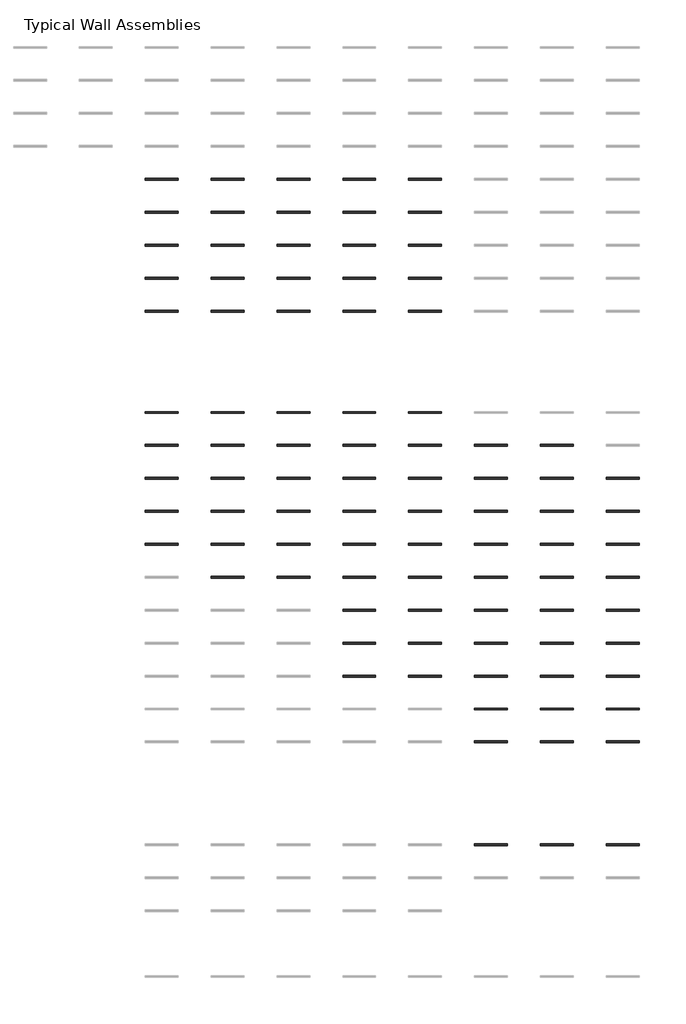
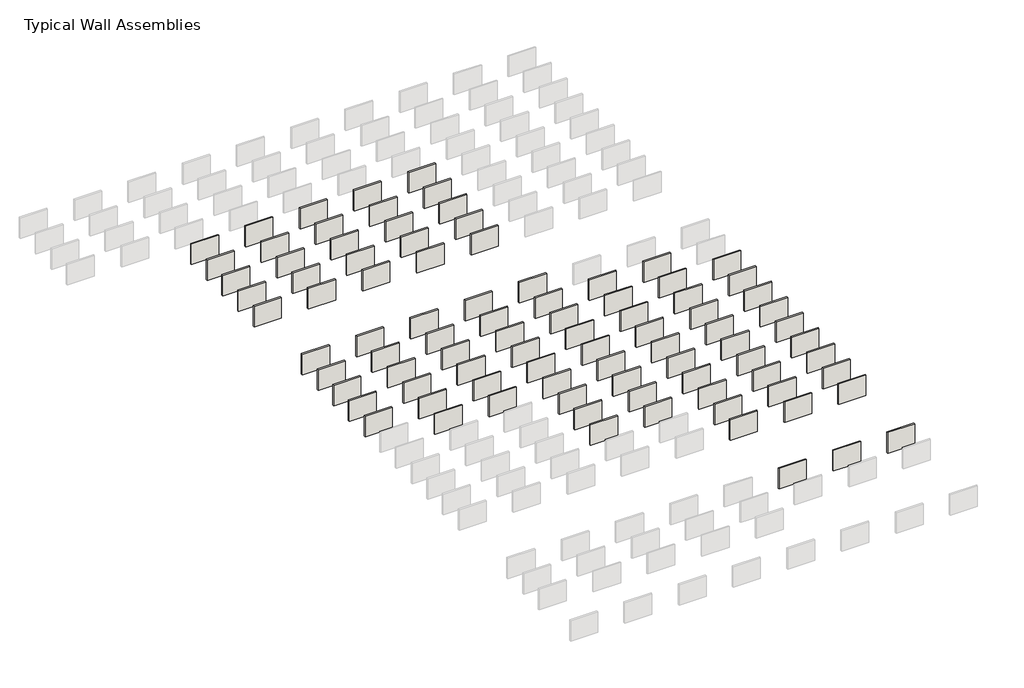
# One storey, part 7 of 8: 92 walls.
"""IFC4 building model written with IfcOpenShell, lengths in millimetres."""

from ifc_helpers import new_model, si_unit, frame, origin, place, context, project, spatial, polyline, outline, extrude, element, save

model = new_model("IFC4")

# Units and contexts
model_context = context("Model", 3, world=origin())
ifc_project = project(units=[si_unit("LENGTHUNIT", "METRE", prefix="MILLI")], contexts=[model_context])

# Site, building, storey
site = spatial("IfcSite", under=ifc_project)
building = spatial("IfcBuilding", under=site)
storey = spatial("IfcBuildingStorey", under=building, Name="Typical Wall Assemblies", Elevation=6096.0)

# Walls
placement = place(None, origin())
element("IfcWall", 1, at=placement, inside=storey, context=model_context, shape_type="SweptSolid", body=[
    extrude(outline(polyline([(3356.874931, -1164.3091546), (308.874931, -1164.3091546), (308.874931, -986.5218505), (3356.874931, -986.5218505), (3356.874931, -1164.3091546)])), frame((0.0, 0.0, 6096.0), z_axis=(0.0, 0.0, 1.0), x_axis=(1.0, 0.0, 0.0)), (0.0, 0.0, 1.0), 2438.4),
])
element("IfcWall", 2, at=placement, inside=storey, context=model_context, shape_type="SweptSolid", body=[
    extrude(outline(polyline([(9452.874931, -1164.3091546), (6404.874931, -1164.3091546), (6404.874931, -986.5218505), (9452.874931, -986.5218505), (9452.874931, -1164.3091546)])), frame((0.0, 0.0, 6096.0), z_axis=(0.0, 0.0, 1.0), x_axis=(1.0, 0.0, 0.0)), (0.0, 0.0, 1.0), 2438.4),
])
element("IfcWall", 3, at=placement, inside=storey, context=model_context, shape_type="SweptSolid", body=[
    extrude(outline(polyline([(15548.874931, -1164.3091546), (12500.874931, -1164.3091546), (12500.874931, -986.5218505), (15548.874931, -986.5218505), (15548.874931, -1164.3091546)])), frame((0.0, 0.0, 6096.0), z_axis=(0.0, 0.0, 1.0), x_axis=(1.0, 0.0, 0.0)), (0.0, 0.0, 1.0), 2438.4),
])
element("IfcWall", 4, at=placement, inside=storey, context=model_context, shape_type="SweptSolid", body=[
    extrude(outline(polyline([(21644.874931, -1164.3091546), (18596.874931, -1164.3091546), (18596.874931, -986.5218505), (21644.874931, -986.5218505), (21644.874931, -1164.3091546)])), frame((0.0, 0.0, 6096.0), z_axis=(0.0, 0.0, 1.0), x_axis=(1.0, 0.0, 0.0)), (0.0, 0.0, 1.0), 2438.4),
])
element("IfcWall", 5, at=placement, inside=storey, context=model_context, shape_type="SweptSolid", body=[
    extrude(outline(polyline([(27740.874931, -1164.3091546), (24692.874931, -1164.3091546), (24692.874931, -986.5218505), (27740.874931, -986.5218505), (27740.874931, -1164.3091546)])), frame((0.0, 0.0, 6096.0), z_axis=(0.0, 0.0, 1.0), x_axis=(1.0, 0.0, 0.0)), (0.0, 0.0, 1.0), 2438.4),
])
element("IfcWall", 6, at=placement, inside=storey, context=model_context, shape_type="SweptSolid", body=[
    extrude(outline(polyline([(3356.874931, -4212.3091546), (308.874931, -4212.3091546), (308.874931, -4034.5218505), (3356.874931, -4034.5218505), (3356.874931, -4212.3091546)])), frame((0.0, 0.0, 6096.0), z_axis=(0.0, 0.0, 1.0), x_axis=(1.0, 0.0, 0.0)), (0.0, 0.0, 1.0), 2438.4),
])
element("IfcWall", 7, at=placement, inside=storey, context=model_context, shape_type="SweptSolid", body=[
    extrude(outline(polyline([(9452.874931, -4212.3091546), (6404.874931, -4212.3091546), (6404.874931, -4034.5218505), (9452.874931, -4034.5218505), (9452.874931, -4212.3091546)])), frame((0.0, 0.0, 6096.0), z_axis=(0.0, 0.0, 1.0), x_axis=(1.0, 0.0, 0.0)), (0.0, 0.0, 1.0), 2438.4),
])
element("IfcWall", 8, at=placement, inside=storey, context=model_context, shape_type="SweptSolid", body=[
    extrude(outline(polyline([(15548.874931, -4212.3091546), (12500.874931, -4212.3091546), (12500.874931, -4034.5218505), (15548.874931, -4034.5218505), (15548.874931, -4212.3091546)])), frame((0.0, 0.0, 6096.0), z_axis=(0.0, 0.0, 1.0), x_axis=(1.0, 0.0, 0.0)), (0.0, 0.0, 1.0), 2438.4),
])
element("IfcWall", 9, at=placement, inside=storey, context=model_context, shape_type="SweptSolid", body=[
    extrude(outline(polyline([(21644.874931, -4212.3091546), (18596.874931, -4212.3091546), (18596.874931, -4034.5218505), (21644.874931, -4034.5218505), (21644.874931, -4212.3091546)])), frame((0.0, 0.0, 6096.0), z_axis=(0.0, 0.0, 1.0), x_axis=(1.0, 0.0, 0.0)), (0.0, 0.0, 1.0), 2438.4),
])
element("IfcWall", 10, at=placement, inside=storey, context=model_context, shape_type="SweptSolid", body=[
    extrude(outline(polyline([(27740.874931, -4212.3091546), (24692.874931, -4212.3091546), (24692.874931, -4034.5218505), (27740.874931, -4034.5218505), (27740.874931, -4212.3091546)])), frame((0.0, 0.0, 6096.0), z_axis=(0.0, 0.0, 1.0), x_axis=(1.0, 0.0, 0.0)), (0.0, 0.0, 1.0), 2438.4),
])
element("IfcWall", 11, at=placement, inside=storey, context=model_context, shape_type="SweptSolid", body=[
    extrude(outline(polyline([(3356.874931, -7260.3091546), (308.874931, -7260.3091546), (308.874931, -7082.5218505), (3356.874931, -7082.5218505), (3356.874931, -7260.3091546)])), frame((0.0, 0.0, 6096.0), z_axis=(0.0, 0.0, 1.0), x_axis=(1.0, 0.0, 0.0)), (0.0, 0.0, 1.0), 2438.4),
])
element("IfcWall", 12, at=placement, inside=storey, context=model_context, shape_type="SweptSolid", body=[
    extrude(outline(polyline([(9452.874931, -7260.3091546), (6404.874931, -7260.3091546), (6404.874931, -7082.5218505), (9452.874931, -7082.5218505), (9452.874931, -7260.3091546)])), frame((0.0, 0.0, 6096.0), z_axis=(0.0, 0.0, 1.0), x_axis=(1.0, 0.0, 0.0)), (0.0, 0.0, 1.0), 2438.4),
])
element("IfcWall", 13, at=placement, inside=storey, context=model_context, shape_type="SweptSolid", body=[
    extrude(outline(polyline([(15548.874931, -7260.3091546), (12500.874931, -7260.3091546), (12500.874931, -7082.5218505), (15548.874931, -7082.5218505), (15548.874931, -7260.3091546)])), frame((0.0, 0.0, 6096.0), z_axis=(0.0, 0.0, 1.0), x_axis=(1.0, 0.0, 0.0)), (0.0, 0.0, 1.0), 2438.4),
])
element("IfcWall", 14, at=placement, inside=storey, context=model_context, shape_type="SweptSolid", body=[
    extrude(outline(polyline([(21644.874931, -7260.3091546), (18596.874931, -7260.3091546), (18596.874931, -7082.5218505), (21644.874931, -7082.5218505), (21644.874931, -7260.3091546)])), frame((0.0, 0.0, 6096.0), z_axis=(0.0, 0.0, 1.0), x_axis=(1.0, 0.0, 0.0)), (0.0, 0.0, 1.0), 2438.4),
])
element("IfcWall", 15, at=placement, inside=storey, context=model_context, shape_type="SweptSolid", body=[
    extrude(outline(polyline([(27740.874931, -7260.3091546), (24692.874931, -7260.3091546), (24692.874931, -7082.5218505), (27740.874931, -7082.5218505), (27740.874931, -7260.3091546)])), frame((0.0, 0.0, 6096.0), z_axis=(0.0, 0.0, 1.0), x_axis=(1.0, 0.0, 0.0)), (0.0, 0.0, 1.0), 2438.4),
])
element("IfcWall", 16, at=placement, inside=storey, context=model_context, shape_type="SweptSolid", body=[
    extrude(outline(polyline([(3356.874931, -10308.3091546), (308.874931, -10308.3091546), (308.874931, -10130.5218505), (3356.874931, -10130.5218505), (3356.874931, -10308.3091546)])), frame((0.0, 0.0, 6096.0), z_axis=(0.0, 0.0, 1.0), x_axis=(1.0, 0.0, 0.0)), (0.0, 0.0, 1.0), 2438.4),
])
element("IfcWall", 17, at=placement, inside=storey, context=model_context, shape_type="SweptSolid", body=[
    extrude(outline(polyline([(9452.874931, -10308.3091546), (6404.874931, -10308.3091546), (6404.874931, -10130.5218505), (9452.874931, -10130.5218505), (9452.874931, -10308.3091546)])), frame((0.0, 0.0, 6096.0), z_axis=(0.0, 0.0, 1.0), x_axis=(1.0, 0.0, 0.0)), (0.0, 0.0, 1.0), 2438.4),
])
element("IfcWall", 18, at=placement, inside=storey, context=model_context, shape_type="SweptSolid", body=[
    extrude(outline(polyline([(15548.874931, -10308.3091546), (12500.874931, -10308.3091546), (12500.874931, -10130.5218505), (15548.874931, -10130.5218505), (15548.874931, -10308.3091546)])), frame((0.0, 0.0, 6096.0), z_axis=(0.0, 0.0, 1.0), x_axis=(1.0, 0.0, 0.0)), (0.0, 0.0, 1.0), 2438.4),
])
element("IfcWall", 19, at=placement, inside=storey, context=model_context, shape_type="SweptSolid", body=[
    extrude(outline(polyline([(21644.874931, -10308.3091546), (18596.874931, -10308.3091546), (18596.874931, -10130.5218505), (21644.874931, -10130.5218505), (21644.874931, -10308.3091546)])), frame((0.0, 0.0, 6096.0), z_axis=(0.0, 0.0, 1.0), x_axis=(1.0, 0.0, 0.0)), (0.0, 0.0, 1.0), 2438.4),
])
element("IfcWall", 20, at=placement, inside=storey, context=model_context, shape_type="SweptSolid", body=[
    extrude(outline(polyline([(27740.874931, -10308.3091546), (24692.874931, -10308.3091546), (24692.874931, -10130.5218505), (27740.874931, -10130.5218505), (27740.874931, -10308.3091546)])), frame((0.0, 0.0, 6096.0), z_axis=(0.0, 0.0, 1.0), x_axis=(1.0, 0.0, 0.0)), (0.0, 0.0, 1.0), 2438.4),
])
element("IfcWall", 21, at=placement, inside=storey, context=model_context, shape_type="SweptSolid", body=[
    extrude(outline(polyline([(3356.874931, -13356.3091546), (308.874931, -13356.3091546), (308.874931, -13178.5218505), (3356.874931, -13178.5218505), (3356.874931, -13356.3091546)])), frame((0.0, 0.0, 6096.0), z_axis=(0.0, 0.0, 1.0), x_axis=(1.0, 0.0, 0.0)), (0.0, 0.0, 1.0), 2438.4),
])
element("IfcWall", 22, at=placement, inside=storey, context=model_context, shape_type="SweptSolid", body=[
    extrude(outline(polyline([(9452.874931, -13356.3091546), (6404.874931, -13356.3091546), (6404.874931, -13178.5218505), (9452.874931, -13178.5218505), (9452.874931, -13356.3091546)])), frame((0.0, 0.0, 6096.0), z_axis=(0.0, 0.0, 1.0), x_axis=(1.0, 0.0, 0.0)), (0.0, 0.0, 1.0), 2438.4),
])
element("IfcWall", 23, at=placement, inside=storey, context=model_context, shape_type="SweptSolid", body=[
    extrude(outline(polyline([(15548.874931, -13356.3091546), (12500.874931, -13356.3091546), (12500.874931, -13178.5218505), (15548.874931, -13178.5218505), (15548.874931, -13356.3091546)])), frame((0.0, 0.0, 6096.0), z_axis=(0.0, 0.0, 1.0), x_axis=(1.0, 0.0, 0.0)), (0.0, 0.0, 1.0), 2438.4),
])
element("IfcWall", 24, at=placement, inside=storey, context=model_context, shape_type="SweptSolid", body=[
    extrude(outline(polyline([(21644.874931, -13356.3091546), (18596.874931, -13356.3091546), (18596.874931, -13178.5218505), (21644.874931, -13178.5218505), (21644.874931, -13356.3091546)])), frame((0.0, 0.0, 6096.0), z_axis=(0.0, 0.0, 1.0), x_axis=(1.0, 0.0, 0.0)), (0.0, 0.0, 1.0), 2438.4),
])
element("IfcWall", 25, at=placement, inside=storey, context=model_context, shape_type="SweptSolid", body=[
    extrude(outline(polyline([(27740.874931, -13356.3091546), (24692.874931, -13356.3091546), (24692.874931, -13178.5218505), (27740.874931, -13178.5218505), (27740.874931, -13356.3091546)])), frame((0.0, 0.0, 6096.0), z_axis=(0.0, 0.0, 1.0), x_axis=(1.0, 0.0, 0.0)), (0.0, 0.0, 1.0), 2438.4),
])
element("IfcWall", 26, at=placement, inside=storey, context=model_context, shape_type="SweptSolid", body=[
    extrude(outline(polyline([(33836.874931, -62733.9091546), (30788.874931, -62733.9091546), (30788.874931, -62556.1218505), (33836.874931, -62556.1218505), (33836.874931, -62733.9091546)])), frame((0.0, 0.0, 6096.0), z_axis=(0.0, 0.0, 1.0), x_axis=(1.0, 0.0, 0.0)), (0.0, 0.0, 1.0), 2438.4),
])
element("IfcWall", 27, at=placement, inside=storey, context=model_context, shape_type="SweptSolid", body=[
    extrude(outline(polyline([(39932.874931, -62733.9091546), (36884.874931, -62733.9091546), (36884.874931, -62556.1218505), (39932.874931, -62556.1218505), (39932.874931, -62733.9091546)])), frame((0.0, 0.0, 6096.0), z_axis=(0.0, 0.0, 1.0), x_axis=(1.0, 0.0, 0.0)), (0.0, 0.0, 1.0), 2438.4),
])
element("IfcWall", 28, at=placement, inside=storey, context=model_context, shape_type="SweptSolid", body=[
    extrude(outline(polyline([(46028.874931, -62733.9091546), (42980.874931, -62733.9091546), (42980.874931, -62556.1218505), (46028.874931, -62556.1218505), (46028.874931, -62733.9091546)])), frame((0.0, 0.0, 6096.0), z_axis=(0.0, 0.0, 1.0), x_axis=(1.0, 0.0, 0.0)), (0.0, 0.0, 1.0), 2438.4),
])
element("IfcWall", 29, at=placement, inside=storey, context=model_context, shape_type="SweptSolid", body=[
    extrude(outline(polyline([(3356.874931, -22743.446361), (308.874931, -22743.446361), (308.874931, -22565.6590569), (3356.874931, -22565.6590569), (3356.874931, -22743.446361)])), frame((0.0, 0.0, 6096.0), z_axis=(0.0, 0.0, 1.0), x_axis=(1.0, 0.0, 0.0)), (0.0, 0.0, 1.0), 2438.4),
])
element("IfcWall", 30, at=placement, inside=storey, context=model_context, shape_type="SweptSolid", body=[
    extrude(outline(polyline([(9452.874931, -22743.446361), (6404.874931, -22743.446361), (6404.874931, -22565.6590569), (9452.874931, -22565.6590569), (9452.874931, -22743.446361)])), frame((0.0, 0.0, 6096.0), z_axis=(0.0, 0.0, 1.0), x_axis=(1.0, 0.0, 0.0)), (0.0, 0.0, 1.0), 2438.4),
])
element("IfcWall", 31, at=placement, inside=storey, context=model_context, shape_type="SweptSolid", body=[
    extrude(outline(polyline([(15548.874931, -22743.446361), (12500.874931, -22743.446361), (12500.874931, -22565.6590569), (15548.874931, -22565.6590569), (15548.874931, -22743.446361)])), frame((0.0, 0.0, 6096.0), z_axis=(0.0, 0.0, 1.0), x_axis=(1.0, 0.0, 0.0)), (0.0, 0.0, 1.0), 2438.4),
])
element("IfcWall", 32, at=placement, inside=storey, context=model_context, shape_type="SweptSolid", body=[
    extrude(outline(polyline([(21644.874931, -22743.446361), (18596.874931, -22743.446361), (18596.874931, -22565.6590569), (21644.874931, -22565.6590569), (21644.874931, -22743.446361)])), frame((0.0, 0.0, 6096.0), z_axis=(0.0, 0.0, 1.0), x_axis=(1.0, 0.0, 0.0)), (0.0, 0.0, 1.0), 2438.4),
])
element("IfcWall", 33, at=placement, inside=storey, context=model_context, shape_type="SweptSolid", body=[
    extrude(outline(polyline([(27740.874931, -22743.446361), (24692.874931, -22743.446361), (24692.874931, -22565.6590569), (27740.874931, -22565.6590569), (27740.874931, -22743.446361)])), frame((0.0, 0.0, 6096.0), z_axis=(0.0, 0.0, 1.0), x_axis=(1.0, 0.0, 0.0)), (0.0, 0.0, 1.0), 2438.4),
])
element("IfcWall", 34, at=placement, inside=storey, context=model_context, shape_type="SweptSolid", body=[
    extrude(outline(polyline([(3356.874931, -25791.446361), (308.874931, -25791.446361), (308.874931, -25613.6590569), (3356.874931, -25613.6590569), (3356.874931, -25791.446361)])), frame((0.0, 0.0, 6096.0), z_axis=(0.0, 0.0, 1.0), x_axis=(1.0, 0.0, 0.0)), (0.0, 0.0, 1.0), 2438.4),
])
element("IfcWall", 35, at=placement, inside=storey, context=model_context, shape_type="SweptSolid", body=[
    extrude(outline(polyline([(9452.874931, -25791.446361), (6404.874931, -25791.446361), (6404.874931, -25613.6590569), (9452.874931, -25613.6590569), (9452.874931, -25791.446361)])), frame((0.0, 0.0, 6096.0), z_axis=(0.0, 0.0, 1.0), x_axis=(1.0, 0.0, 0.0)), (0.0, 0.0, 1.0), 2438.4),
])
element("IfcWall", 36, at=placement, inside=storey, context=model_context, shape_type="SweptSolid", body=[
    extrude(outline(polyline([(15548.874931, -25791.446361), (12500.874931, -25791.446361), (12500.874931, -25613.6590569), (15548.874931, -25613.6590569), (15548.874931, -25791.446361)])), frame((0.0, 0.0, 6096.0), z_axis=(0.0, 0.0, 1.0), x_axis=(1.0, 0.0, 0.0)), (0.0, 0.0, 1.0), 2438.4),
])
element("IfcWall", 37, at=placement, inside=storey, context=model_context, shape_type="SweptSolid", body=[
    extrude(outline(polyline([(21644.874931, -25791.446361), (18596.874931, -25791.446361), (18596.874931, -25613.6590569), (21644.874931, -25613.6590569), (21644.874931, -25791.446361)])), frame((0.0, 0.0, 6096.0), z_axis=(0.0, 0.0, 1.0), x_axis=(1.0, 0.0, 0.0)), (0.0, 0.0, 1.0), 2438.4),
])
element("IfcWall", 38, at=placement, inside=storey, context=model_context, shape_type="SweptSolid", body=[
    extrude(outline(polyline([(27740.874931, -25791.446361), (24692.874931, -25791.446361), (24692.874931, -25613.6590569), (27740.874931, -25613.6590569), (27740.874931, -25791.446361)])), frame((0.0, 0.0, 6096.0), z_axis=(0.0, 0.0, 1.0), x_axis=(1.0, 0.0, 0.0)), (0.0, 0.0, 1.0), 2438.4),
])
element("IfcWall", 39, at=placement, inside=storey, context=model_context, shape_type="SweptSolid", body=[
    extrude(outline(polyline([(33836.874931, -25791.446361), (30788.874931, -25791.446361), (30788.874931, -25613.6590569), (33836.874931, -25613.6590569), (33836.874931, -25791.446361)])), frame((0.0, 0.0, 6096.0), z_axis=(0.0, 0.0, 1.0), x_axis=(1.0, 0.0, 0.0)), (0.0, 0.0, 1.0), 2438.4),
])
element("IfcWall", 40, at=placement, inside=storey, context=model_context, shape_type="SweptSolid", body=[
    extrude(outline(polyline([(39932.874931, -25791.446361), (36884.874931, -25791.446361), (36884.874931, -25613.6590569), (39932.874931, -25613.6590569), (39932.874931, -25791.446361)])), frame((0.0, 0.0, 6096.0), z_axis=(0.0, 0.0, 1.0), x_axis=(1.0, 0.0, 0.0)), (0.0, 0.0, 1.0), 2438.4),
])
element("IfcWall", 41, at=placement, inside=storey, context=model_context, shape_type="SweptSolid", body=[
    extrude(outline(polyline([(3356.874931, -28839.446361), (308.874931, -28839.446361), (308.874931, -28661.6590569), (3356.874931, -28661.6590569), (3356.874931, -28839.446361)])), frame((0.0, 0.0, 6096.0), z_axis=(0.0, 0.0, 1.0), x_axis=(1.0, 0.0, 0.0)), (0.0, 0.0, 1.0), 2438.4),
])
element("IfcWall", 42, at=placement, inside=storey, context=model_context, shape_type="SweptSolid", body=[
    extrude(outline(polyline([(9452.874931, -28839.446361), (6404.874931, -28839.446361), (6404.874931, -28661.6590569), (9452.874931, -28661.6590569), (9452.874931, -28839.446361)])), frame((0.0, 0.0, 6096.0), z_axis=(0.0, 0.0, 1.0), x_axis=(1.0, 0.0, 0.0)), (0.0, 0.0, 1.0), 2438.4),
])
element("IfcWall", 43, at=placement, inside=storey, context=model_context, shape_type="SweptSolid", body=[
    extrude(outline(polyline([(15548.874931, -28839.446361), (12500.874931, -28839.446361), (12500.874931, -28661.6590569), (15548.874931, -28661.6590569), (15548.874931, -28839.446361)])), frame((0.0, 0.0, 6096.0), z_axis=(0.0, 0.0, 1.0), x_axis=(1.0, 0.0, 0.0)), (0.0, 0.0, 1.0), 2438.4),
])
element("IfcWall", 44, at=placement, inside=storey, context=model_context, shape_type="SweptSolid", body=[
    extrude(outline(polyline([(21644.874931, -28839.446361), (18596.874931, -28839.446361), (18596.874931, -28661.6590569), (21644.874931, -28661.6590569), (21644.874931, -28839.446361)])), frame((0.0, 0.0, 6096.0), z_axis=(0.0, 0.0, 1.0), x_axis=(1.0, 0.0, 0.0)), (0.0, 0.0, 1.0), 2438.4),
])
element("IfcWall", 45, at=placement, inside=storey, context=model_context, shape_type="SweptSolid", body=[
    extrude(outline(polyline([(27740.874931, -28839.446361), (24692.874931, -28839.446361), (24692.874931, -28661.6590569), (27740.874931, -28661.6590569), (27740.874931, -28839.446361)])), frame((0.0, 0.0, 6096.0), z_axis=(0.0, 0.0, 1.0), x_axis=(1.0, 0.0, 0.0)), (0.0, 0.0, 1.0), 2438.4),
])
element("IfcWall", 46, at=placement, inside=storey, context=model_context, shape_type="SweptSolid", body=[
    extrude(outline(polyline([(33836.874931, -28839.446361), (30788.874931, -28839.446361), (30788.874931, -28661.6590569), (33836.874931, -28661.6590569), (33836.874931, -28839.446361)])), frame((0.0, 0.0, 6096.0), z_axis=(0.0, 0.0, 1.0), x_axis=(1.0, 0.0, 0.0)), (0.0, 0.0, 1.0), 2438.4),
])
element("IfcWall", 47, at=placement, inside=storey, context=model_context, shape_type="SweptSolid", body=[
    extrude(outline(polyline([(39932.874931, -28839.446361), (36884.874931, -28839.446361), (36884.874931, -28661.6590569), (39932.874931, -28661.6590569), (39932.874931, -28839.446361)])), frame((0.0, 0.0, 6096.0), z_axis=(0.0, 0.0, 1.0), x_axis=(1.0, 0.0, 0.0)), (0.0, 0.0, 1.0), 2438.4),
])
element("IfcWall", 48, at=placement, inside=storey, context=model_context, shape_type="SweptSolid", body=[
    extrude(outline(polyline([(46028.874931, -28839.446361), (42980.874931, -28839.446361), (42980.874931, -28661.6590569), (46028.874931, -28661.6590569), (46028.874931, -28839.446361)])), frame((0.0, 0.0, 6096.0), z_axis=(0.0, 0.0, 1.0), x_axis=(1.0, 0.0, 0.0)), (0.0, 0.0, 1.0), 2438.4),
])
element("IfcWall", 49, at=placement, inside=storey, context=model_context, shape_type="SweptSolid", body=[
    extrude(outline(polyline([(3356.874931, -31887.446361), (308.874931, -31887.446361), (308.874931, -31709.6590569), (3356.874931, -31709.6590569), (3356.874931, -31887.446361)])), frame((0.0, 0.0, 6096.0), z_axis=(0.0, 0.0, 1.0), x_axis=(1.0, 0.0, 0.0)), (0.0, 0.0, 1.0), 2438.4),
])
element("IfcWall", 50, at=placement, inside=storey, context=model_context, shape_type="SweptSolid", body=[
    extrude(outline(polyline([(9452.874931, -31887.446361), (6404.874931, -31887.446361), (6404.874931, -31709.6590569), (9452.874931, -31709.6590569), (9452.874931, -31887.446361)])), frame((0.0, 0.0, 6096.0), z_axis=(0.0, 0.0, 1.0), x_axis=(1.0, 0.0, 0.0)), (0.0, 0.0, 1.0), 2438.4),
])
element("IfcWall", 51, at=placement, inside=storey, context=model_context, shape_type="SweptSolid", body=[
    extrude(outline(polyline([(15548.874931, -31887.446361), (12500.874931, -31887.446361), (12500.874931, -31709.6590569), (15548.874931, -31709.6590569), (15548.874931, -31887.446361)])), frame((0.0, 0.0, 6096.0), z_axis=(0.0, 0.0, 1.0), x_axis=(1.0, 0.0, 0.0)), (0.0, 0.0, 1.0), 2438.4),
])
element("IfcWall", 52, at=placement, inside=storey, context=model_context, shape_type="SweptSolid", body=[
    extrude(outline(polyline([(21644.874931, -31887.446361), (18596.874931, -31887.446361), (18596.874931, -31709.6590569), (21644.874931, -31709.6590569), (21644.874931, -31887.446361)])), frame((0.0, 0.0, 6096.0), z_axis=(0.0, 0.0, 1.0), x_axis=(1.0, 0.0, 0.0)), (0.0, 0.0, 1.0), 2438.4),
])
element("IfcWall", 53, at=placement, inside=storey, context=model_context, shape_type="SweptSolid", body=[
    extrude(outline(polyline([(27740.874931, -31887.446361), (24692.874931, -31887.446361), (24692.874931, -31709.6590569), (27740.874931, -31709.6590569), (27740.874931, -31887.446361)])), frame((0.0, 0.0, 6096.0), z_axis=(0.0, 0.0, 1.0), x_axis=(1.0, 0.0, 0.0)), (0.0, 0.0, 1.0), 2438.4),
])
element("IfcWall", 54, at=placement, inside=storey, context=model_context, shape_type="SweptSolid", body=[
    extrude(outline(polyline([(33836.874931, -31887.446361), (30788.874931, -31887.446361), (30788.874931, -31709.6590569), (33836.874931, -31709.6590569), (33836.874931, -31887.446361)])), frame((0.0, 0.0, 6096.0), z_axis=(0.0, 0.0, 1.0), x_axis=(1.0, 0.0, 0.0)), (0.0, 0.0, 1.0), 2438.4),
])
element("IfcWall", 55, at=placement, inside=storey, context=model_context, shape_type="SweptSolid", body=[
    extrude(outline(polyline([(39932.874931, -31887.446361), (36884.874931, -31887.446361), (36884.874931, -31709.6590569), (39932.874931, -31709.6590569), (39932.874931, -31887.446361)])), frame((0.0, 0.0, 6096.0), z_axis=(0.0, 0.0, 1.0), x_axis=(1.0, 0.0, 0.0)), (0.0, 0.0, 1.0), 2438.4),
])
element("IfcWall", 56, at=placement, inside=storey, context=model_context, shape_type="SweptSolid", body=[
    extrude(outline(polyline([(46028.874931, -31887.446361), (42980.874931, -31887.446361), (42980.874931, -31709.6590569), (46028.874931, -31709.6590569), (46028.874931, -31887.446361)])), frame((0.0, 0.0, 6096.0), z_axis=(0.0, 0.0, 1.0), x_axis=(1.0, 0.0, 0.0)), (0.0, 0.0, 1.0), 2438.4),
])
element("IfcWall", 57, at=placement, inside=storey, context=model_context, shape_type="SweptSolid", body=[
    extrude(outline(polyline([(3356.874931, -34935.446361), (308.874931, -34935.446361), (308.874931, -34757.6590569), (3356.874931, -34757.6590569), (3356.874931, -34935.446361)])), frame((0.0, 0.0, 6096.0), z_axis=(0.0, 0.0, 1.0), x_axis=(1.0, 0.0, 0.0)), (0.0, 0.0, 1.0), 2438.4),
])
element("IfcWall", 58, at=placement, inside=storey, context=model_context, shape_type="SweptSolid", body=[
    extrude(outline(polyline([(9452.874931, -34935.446361), (6404.874931, -34935.446361), (6404.874931, -34757.6590569), (9452.874931, -34757.6590569), (9452.874931, -34935.446361)])), frame((0.0, 0.0, 6096.0), z_axis=(0.0, 0.0, 1.0), x_axis=(1.0, 0.0, 0.0)), (0.0, 0.0, 1.0), 2438.4),
])
element("IfcWall", 59, at=placement, inside=storey, context=model_context, shape_type="SweptSolid", body=[
    extrude(outline(polyline([(15548.874931, -34935.446361), (12500.874931, -34935.446361), (12500.874931, -34757.6590569), (15548.874931, -34757.6590569), (15548.874931, -34935.446361)])), frame((0.0, 0.0, 6096.0), z_axis=(0.0, 0.0, 1.0), x_axis=(1.0, 0.0, 0.0)), (0.0, 0.0, 1.0), 2438.4),
])
element("IfcWall", 60, at=placement, inside=storey, context=model_context, shape_type="SweptSolid", body=[
    extrude(outline(polyline([(21644.874931, -34935.446361), (18596.874931, -34935.446361), (18596.874931, -34757.6590569), (21644.874931, -34757.6590569), (21644.874931, -34935.446361)])), frame((0.0, 0.0, 6096.0), z_axis=(0.0, 0.0, 1.0), x_axis=(1.0, 0.0, 0.0)), (0.0, 0.0, 1.0), 2438.4),
])
element("IfcWall", 61, at=placement, inside=storey, context=model_context, shape_type="SweptSolid", body=[
    extrude(outline(polyline([(27740.874931, -34935.446361), (24692.874931, -34935.446361), (24692.874931, -34757.6590569), (27740.874931, -34757.6590569), (27740.874931, -34935.446361)])), frame((0.0, 0.0, 6096.0), z_axis=(0.0, 0.0, 1.0), x_axis=(1.0, 0.0, 0.0)), (0.0, 0.0, 1.0), 2438.4),
])
element("IfcWall", 62, at=placement, inside=storey, context=model_context, shape_type="SweptSolid", body=[
    extrude(outline(polyline([(33836.874931, -34935.446361), (30788.874931, -34935.446361), (30788.874931, -34757.6590569), (33836.874931, -34757.6590569), (33836.874931, -34935.446361)])), frame((0.0, 0.0, 6096.0), z_axis=(0.0, 0.0, 1.0), x_axis=(1.0, 0.0, 0.0)), (0.0, 0.0, 1.0), 2438.4),
])
element("IfcWall", 63, at=placement, inside=storey, context=model_context, shape_type="SweptSolid", body=[
    extrude(outline(polyline([(39932.874931, -34935.446361), (36884.874931, -34935.446361), (36884.874931, -34757.6590569), (39932.874931, -34757.6590569), (39932.874931, -34935.446361)])), frame((0.0, 0.0, 6096.0), z_axis=(0.0, 0.0, 1.0), x_axis=(1.0, 0.0, 0.0)), (0.0, 0.0, 1.0), 2438.4),
])
element("IfcWall", 64, at=placement, inside=storey, context=model_context, shape_type="SweptSolid", body=[
    extrude(outline(polyline([(46028.874931, -34935.446361), (42980.874931, -34935.446361), (42980.874931, -34757.6590569), (46028.874931, -34757.6590569), (46028.874931, -34935.446361)])), frame((0.0, 0.0, 6096.0), z_axis=(0.0, 0.0, 1.0), x_axis=(1.0, 0.0, 0.0)), (0.0, 0.0, 1.0), 2438.4),
])
element("IfcWall", 65, at=placement, inside=storey, context=model_context, shape_type="SweptSolid", body=[
    extrude(outline(polyline([(9452.874931, -37983.446361), (6404.874931, -37983.446361), (6404.874931, -37805.6590569), (9452.874931, -37805.6590569), (9452.874931, -37983.446361)])), frame((0.0, 0.0, 6096.0), z_axis=(0.0, 0.0, 1.0), x_axis=(1.0, 0.0, 0.0)), (0.0, 0.0, 1.0), 2438.4),
])
element("IfcWall", 66, at=placement, inside=storey, context=model_context, shape_type="SweptSolid", body=[
    extrude(outline(polyline([(15548.874931, -37983.446361), (12500.874931, -37983.446361), (12500.874931, -37805.6590569), (15548.874931, -37805.6590569), (15548.874931, -37983.446361)])), frame((0.0, 0.0, 6096.0), z_axis=(0.0, 0.0, 1.0), x_axis=(1.0, 0.0, 0.0)), (0.0, 0.0, 1.0), 2438.4),
])
element("IfcWall", 67, at=placement, inside=storey, context=model_context, shape_type="SweptSolid", body=[
    extrude(outline(polyline([(21644.874931, -37983.446361), (18596.874931, -37983.446361), (18596.874931, -37805.6590569), (21644.874931, -37805.6590569), (21644.874931, -37983.446361)])), frame((0.0, 0.0, 6096.0), z_axis=(0.0, 0.0, 1.0), x_axis=(1.0, 0.0, 0.0)), (0.0, 0.0, 1.0), 2438.4),
])
element("IfcWall", 68, at=placement, inside=storey, context=model_context, shape_type="SweptSolid", body=[
    extrude(outline(polyline([(27740.874931, -37983.446361), (24692.874931, -37983.446361), (24692.874931, -37805.6590569), (27740.874931, -37805.6590569), (27740.874931, -37983.446361)])), frame((0.0, 0.0, 6096.0), z_axis=(0.0, 0.0, 1.0), x_axis=(1.0, 0.0, 0.0)), (0.0, 0.0, 1.0), 2438.4),
])
element("IfcWall", 69, at=placement, inside=storey, context=model_context, shape_type="SweptSolid", body=[
    extrude(outline(polyline([(33836.874931, -37983.446361), (30788.874931, -37983.446361), (30788.874931, -37805.6590569), (33836.874931, -37805.6590569), (33836.874931, -37983.446361)])), frame((0.0, 0.0, 6096.0), z_axis=(0.0, 0.0, 1.0), x_axis=(1.0, 0.0, 0.0)), (0.0, 0.0, 1.0), 2438.4),
])
element("IfcWall", 70, at=placement, inside=storey, context=model_context, shape_type="SweptSolid", body=[
    extrude(outline(polyline([(39932.874931, -37983.446361), (36884.874931, -37983.446361), (36884.874931, -37805.6590569), (39932.874931, -37805.6590569), (39932.874931, -37983.446361)])), frame((0.0, 0.0, 6096.0), z_axis=(0.0, 0.0, 1.0), x_axis=(1.0, 0.0, 0.0)), (0.0, 0.0, 1.0), 2438.4),
])
element("IfcWall", 71, at=placement, inside=storey, context=model_context, shape_type="SweptSolid", body=[
    extrude(outline(polyline([(46028.874931, -37983.446361), (42980.874931, -37983.446361), (42980.874931, -37805.6590569), (46028.874931, -37805.6590569), (46028.874931, -37983.446361)])), frame((0.0, 0.0, 6096.0), z_axis=(0.0, 0.0, 1.0), x_axis=(1.0, 0.0, 0.0)), (0.0, 0.0, 1.0), 2438.4),
])
element("IfcWall", 72, at=placement, inside=storey, context=model_context, shape_type="SweptSolid", body=[
    extrude(outline(polyline([(21644.874931, -41031.446361), (18596.874931, -41031.446361), (18596.874931, -40853.6590569), (21644.874931, -40853.6590569), (21644.874931, -41031.446361)])), frame((0.0, 0.0, 6096.0), z_axis=(0.0, 0.0, 1.0), x_axis=(1.0, 0.0, 0.0)), (0.0, 0.0, 1.0), 2438.4),
])
element("IfcWall", 73, at=placement, inside=storey, context=model_context, shape_type="SweptSolid", body=[
    extrude(outline(polyline([(27740.874931, -41031.446361), (24692.874931, -41031.446361), (24692.874931, -40853.6590569), (27740.874931, -40853.6590569), (27740.874931, -41031.446361)])), frame((0.0, 0.0, 6096.0), z_axis=(0.0, 0.0, 1.0), x_axis=(1.0, 0.0, 0.0)), (0.0, 0.0, 1.0), 2438.4),
])
element("IfcWall", 74, at=placement, inside=storey, context=model_context, shape_type="SweptSolid", body=[
    extrude(outline(polyline([(33836.874931, -41031.446361), (30788.874931, -41031.446361), (30788.874931, -40853.6590569), (33836.874931, -40853.6590569), (33836.874931, -41031.446361)])), frame((0.0, 0.0, 6096.0), z_axis=(0.0, 0.0, 1.0), x_axis=(1.0, 0.0, 0.0)), (0.0, 0.0, 1.0), 2438.4),
])
element("IfcWall", 75, at=placement, inside=storey, context=model_context, shape_type="SweptSolid", body=[
    extrude(outline(polyline([(39932.874931, -41031.446361), (36884.874931, -41031.446361), (36884.874931, -40853.6590569), (39932.874931, -40853.6590569), (39932.874931, -41031.446361)])), frame((0.0, 0.0, 6096.0), z_axis=(0.0, 0.0, 1.0), x_axis=(1.0, 0.0, 0.0)), (0.0, 0.0, 1.0), 2438.4),
])
element("IfcWall", 76, at=placement, inside=storey, context=model_context, shape_type="SweptSolid", body=[
    extrude(outline(polyline([(46028.874931, -41031.446361), (42980.874931, -41031.446361), (42980.874931, -40853.6590569), (46028.874931, -40853.6590569), (46028.874931, -41031.446361)])), frame((0.0, 0.0, 6096.0), z_axis=(0.0, 0.0, 1.0), x_axis=(1.0, 0.0, 0.0)), (0.0, 0.0, 1.0), 2438.4),
])
element("IfcWall", 77, at=placement, inside=storey, context=model_context, shape_type="SweptSolid", body=[
    extrude(outline(polyline([(21644.874931, -44079.446361), (18596.874931, -44079.446361), (18596.874931, -43901.6590569), (21644.874931, -43901.6590569), (21644.874931, -44079.446361)])), frame((0.0, 0.0, 6096.0), z_axis=(0.0, 0.0, 1.0), x_axis=(1.0, 0.0, 0.0)), (0.0, 0.0, 1.0), 2438.4),
])
element("IfcWall", 78, at=placement, inside=storey, context=model_context, shape_type="SweptSolid", body=[
    extrude(outline(polyline([(27740.874931, -44079.446361), (24692.874931, -44079.446361), (24692.874931, -43901.6590569), (27740.874931, -43901.6590569), (27740.874931, -44079.446361)])), frame((0.0, 0.0, 6096.0), z_axis=(0.0, 0.0, 1.0), x_axis=(1.0, 0.0, 0.0)), (0.0, 0.0, 1.0), 2438.4),
])
element("IfcWall", 79, at=placement, inside=storey, context=model_context, shape_type="SweptSolid", body=[
    extrude(outline(polyline([(33836.874931, -44079.446361), (30788.874931, -44079.446361), (30788.874931, -43901.6590569), (33836.874931, -43901.6590569), (33836.874931, -44079.446361)])), frame((0.0, 0.0, 6096.0), z_axis=(0.0, 0.0, 1.0), x_axis=(1.0, 0.0, 0.0)), (0.0, 0.0, 1.0), 2438.4),
])
element("IfcWall", 80, at=placement, inside=storey, context=model_context, shape_type="SweptSolid", body=[
    extrude(outline(polyline([(39932.874931, -44079.446361), (36884.874931, -44079.446361), (36884.874931, -43901.6590569), (39932.874931, -43901.6590569), (39932.874931, -44079.446361)])), frame((0.0, 0.0, 6096.0), z_axis=(0.0, 0.0, 1.0), x_axis=(1.0, 0.0, 0.0)), (0.0, 0.0, 1.0), 2438.4),
])
element("IfcWall", 81, at=placement, inside=storey, context=model_context, shape_type="SweptSolid", body=[
    extrude(outline(polyline([(46028.874931, -44079.446361), (42980.874931, -44079.446361), (42980.874931, -43901.6590569), (46028.874931, -43901.6590569), (46028.874931, -44079.446361)])), frame((0.0, 0.0, 6096.0), z_axis=(0.0, 0.0, 1.0), x_axis=(1.0, 0.0, 0.0)), (0.0, 0.0, 1.0), 2438.4),
])
element("IfcWall", 82, at=placement, inside=storey, context=model_context, shape_type="SweptSolid", body=[
    extrude(outline(polyline([(21644.874931, -47127.446361), (18596.874931, -47127.446361), (18596.874931, -46949.6590569), (21644.874931, -46949.6590569), (21644.874931, -47127.446361)])), frame((0.0, 0.0, 6096.0), z_axis=(0.0, 0.0, 1.0), x_axis=(1.0, 0.0, 0.0)), (0.0, 0.0, 1.0), 2438.4),
])
element("IfcWall", 83, at=placement, inside=storey, context=model_context, shape_type="SweptSolid", body=[
    extrude(outline(polyline([(27740.874931, -47127.446361), (24692.874931, -47127.446361), (24692.874931, -46949.6590569), (27740.874931, -46949.6590569), (27740.874931, -47127.446361)])), frame((0.0, 0.0, 6096.0), z_axis=(0.0, 0.0, 1.0), x_axis=(1.0, 0.0, 0.0)), (0.0, 0.0, 1.0), 2438.4),
])
element("IfcWall", 84, at=placement, inside=storey, context=model_context, shape_type="SweptSolid", body=[
    extrude(outline(polyline([(33836.874931, -47127.446361), (30788.874931, -47127.446361), (30788.874931, -46949.6590569), (33836.874931, -46949.6590569), (33836.874931, -47127.446361)])), frame((0.0, 0.0, 6096.0), z_axis=(0.0, 0.0, 1.0), x_axis=(1.0, 0.0, 0.0)), (0.0, 0.0, 1.0), 2438.4),
])
element("IfcWall", 85, at=placement, inside=storey, context=model_context, shape_type="SweptSolid", body=[
    extrude(outline(polyline([(39932.874931, -47127.446361), (36884.874931, -47127.446361), (36884.874931, -46949.6590569), (39932.874931, -46949.6590569), (39932.874931, -47127.446361)])), frame((0.0, 0.0, 6096.0), z_axis=(0.0, 0.0, 1.0), x_axis=(1.0, 0.0, 0.0)), (0.0, 0.0, 1.0), 2438.4),
])
element("IfcWall", 86, at=placement, inside=storey, context=model_context, shape_type="SweptSolid", body=[
    extrude(outline(polyline([(46028.874931, -47127.446361), (42980.874931, -47127.446361), (42980.874931, -46949.6590569), (46028.874931, -46949.6590569), (46028.874931, -47127.446361)])), frame((0.0, 0.0, 6096.0), z_axis=(0.0, 0.0, 1.0), x_axis=(1.0, 0.0, 0.0)), (0.0, 0.0, 1.0), 2438.4),
])
element("IfcWall", 87, at=placement, inside=storey, context=model_context, shape_type="SweptSolid", body=[
    extrude(outline(polyline([(33836.874931, -50175.446361), (30788.874931, -50175.446361), (30788.874931, -49997.6590569), (33836.874931, -49997.6590569), (33836.874931, -50175.446361)])), frame((0.0, 0.0, 6096.0), z_axis=(0.0, 0.0, 1.0), x_axis=(1.0, 0.0, 0.0)), (0.0, 0.0, 1.0), 2438.4),
])
element("IfcWall", 88, at=placement, inside=storey, context=model_context, shape_type="SweptSolid", body=[
    extrude(outline(polyline([(39932.874931, -50175.446361), (36884.874931, -50175.446361), (36884.874931, -49997.6590569), (39932.874931, -49997.6590569), (39932.874931, -50175.446361)])), frame((0.0, 0.0, 6096.0), z_axis=(0.0, 0.0, 1.0), x_axis=(1.0, 0.0, 0.0)), (0.0, 0.0, 1.0), 2438.4),
])
element("IfcWall", 89, at=placement, inside=storey, context=model_context, shape_type="SweptSolid", body=[
    extrude(outline(polyline([(46028.874931, -50175.446361), (42980.874931, -50175.446361), (42980.874931, -49997.6590569), (46028.874931, -49997.6590569), (46028.874931, -50175.446361)])), frame((0.0, 0.0, 6096.0), z_axis=(0.0, 0.0, 1.0), x_axis=(1.0, 0.0, 0.0)), (0.0, 0.0, 1.0), 2438.4),
])
element("IfcWall", 90, at=placement, inside=storey, context=model_context, shape_type="SweptSolid", body=[
    extrude(outline(polyline([(33836.874931, -53223.446361), (30788.874931, -53223.446361), (30788.874931, -53045.6590569), (33836.874931, -53045.6590569), (33836.874931, -53223.446361)])), frame((0.0, 0.0, 6096.0), z_axis=(0.0, 0.0, 1.0), x_axis=(1.0, 0.0, 0.0)), (0.0, 0.0, 1.0), 2438.4),
])
element("IfcWall", 91, at=placement, inside=storey, context=model_context, shape_type="SweptSolid", body=[
    extrude(outline(polyline([(39932.874931, -53223.446361), (36884.874931, -53223.446361), (36884.874931, -53045.6590569), (39932.874931, -53045.6590569), (39932.874931, -53223.446361)])), frame((0.0, 0.0, 6096.0), z_axis=(0.0, 0.0, 1.0), x_axis=(1.0, 0.0, 0.0)), (0.0, 0.0, 1.0), 2438.4),
])
element("IfcWall", 92, at=placement, inside=storey, context=model_context, shape_type="SweptSolid", body=[
    extrude(outline(polyline([(46028.874931, -53223.446361), (42980.874931, -53223.446361), (42980.874931, -53045.6590569), (46028.874931, -53045.6590569), (46028.874931, -53223.446361)])), frame((0.0, 0.0, 6096.0), z_axis=(0.0, 0.0, 1.0), x_axis=(1.0, 0.0, 0.0)), (0.0, 0.0, 1.0), 2438.4),
])

save(model, "model.ifc")
